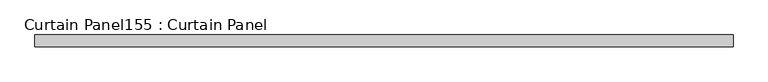
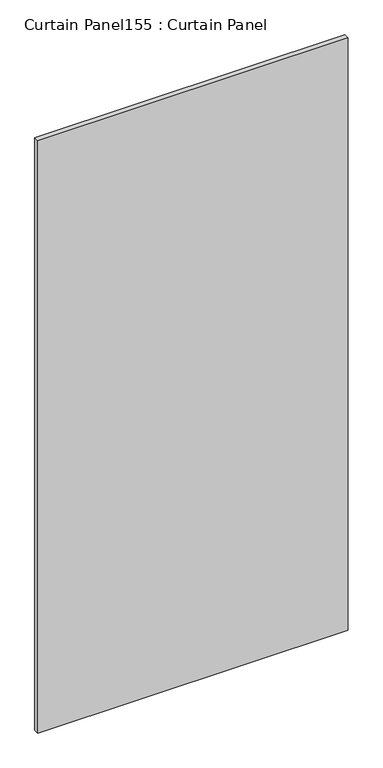
"""IFC4 building model written with IfcOpenShell, lengths in millimetres: plate geometry, Curtain Panel155 : Curtain Panel."""

import ifcopenshell
import ifcopenshell.guid

model = None  # the IFC model being written
_history = None  # IfcOwnerHistory: only IFC2X3 demands one
_inside = {}  # id of a spatial element -> (the spatial element, [elements in it])
_under = {}  # id of a project, library or spatial element -> (it, [spatial elements below it])
_declared = {}  # id of a project -> (the project, [libraries it declares])
_typed = {}  # id of a type object -> (the type object, [elements of that type])
_made_of = {}  # id of a material, layer set ... -> (it, [elements and type objects made of it])


def new_model(schema):
    """Start an empty IFC model of exactly this schema.

    Asked for "IFC4X3", IfcOpenShell would pick the latest addendum, in which some entities
    have other attributes; the version numbers below select the first issue.
    IFC2X3 requires an IfcOwnerHistory on every rooted entity: one is made here for all.
    """
    global model, _history
    if schema == "IFC4X3":
        model = ifcopenshell.file(schema_version=(4, 3, 0, 0))
    else:
        model = ifcopenshell.file(schema=schema)
    _inside.clear()
    _under.clear()
    _declared.clear()
    _typed.clear()
    _made_of.clear()
    _history = None
    if model.schema == "IFC2X3":
        org = make("IfcOrganization", Name="unknown")
        user = make(
            "IfcPersonAndOrganization",
            ThePerson=make("IfcPerson", FamilyName="unknown"),
            TheOrganization=org,
        )
        app = make(
            "IfcApplication",
            ApplicationDeveloper=org,
            Version="unknown",
            ApplicationFullName="unknown",
            ApplicationIdentifier="unknown",
        )
        _history = make(
            "IfcOwnerHistory",
            OwningUser=user,
            OwningApplication=app,
            ChangeAction="ADDED",
            CreationDate=0,
        )
    return model


def make(cls, **values):
    """One entity of the class cls with the attributes given. An attribute that is None is left unset."""
    return model.create_entity(
        cls, **{name: value for name, value in values.items() if value is not None}
    )


def rooted(cls, **values):
    """An entity with a GlobalId (a new one), such as an element, a storey or a relation."""
    return make(cls, GlobalId=ifcopenshell.guid.new(), OwnerHistory=_history, **values)


def si_unit(unit_type, name, prefix=None):
    """IfcSIUnit, for example si_unit("LENGTHUNIT", "METRE", prefix="MILLI")."""
    return make("IfcSIUnit", UnitType=unit_type, Prefix=prefix, Name=name)


def assignment(units):
    """IfcUnitAssignment: the units of a project."""
    return None if units is None else make("IfcUnitAssignment", Units=units)


def point(xyz):
    """IfcCartesianPoint."""
    return None if xyz is None else make("IfcCartesianPoint", Coordinates=xyz)


def direction(xyz):
    """IfcDirection."""
    return None if xyz is None else make("IfcDirection", DirectionRatios=xyz)


def frame(location, z_axis=None, x_axis=None):
    """IfcAxis2Placement3D, a coordinate frame: its origin and axes. An axis left out is left unset."""
    return make(
        "IfcAxis2Placement3D",
        Location=point(location),
        Axis=direction(z_axis),
        RefDirection=direction(x_axis),
    )


def origin():
    """The frame at (0, 0, 0) with its axes left unset."""
    return frame((0.0, 0.0, 0.0))


def place(relative_to, where):
    """IfcLocalPlacement: puts the frame where relative to a parent placement (None: the world)."""
    return make(
        "IfcLocalPlacement", PlacementRelTo=relative_to, RelativePlacement=where
    )


def context(
    kind, dimensions, precision=None, world=None, true_north=None, identifier=None
):
    """IfcGeometricRepresentationContext, for example the 3D "Model" context."""
    return make(
        "IfcGeometricRepresentationContext",
        ContextIdentifier=identifier,
        ContextType=kind,
        CoordinateSpaceDimension=dimensions,
        Precision=precision,
        WorldCoordinateSystem=world,
        TrueNorth=true_north,
    )


def project(units=None, contexts=None):
    """IfcProject with its units and contexts."""
    return rooted(
        "IfcProject",
        Name="project",
        RepresentationContexts=contexts,
        UnitsInContext=assignment(units),
    )


def spatial(cls, under=None, at=None, **own):
    """A site, building, storey or space (cls), placed at a placement, below another one or the project."""
    s = rooted(cls, ObjectPlacement=at, **own)
    if under is not None:
        _under.setdefault(under.id(), (under, []))[1].append(s)
    return s


def polyline(points):
    """IfcPolyline through the points."""
    return make("IfcPolyline", Points=[point(p) for p in points])


def outline(outer, holes=None, kind="AREA"):
    """IfcArbitraryClosedProfileDef: a profile drawn as a closed curve; with holes, ...WithVoids."""
    if holes is None:
        return make("IfcArbitraryClosedProfileDef", ProfileType=kind, OuterCurve=outer)
    return make(
        "IfcArbitraryProfileDefWithVoids",
        ProfileType=kind,
        OuterCurve=outer,
        InnerCurves=holes,
    )


def extrude(swept, where, along, depth):
    """IfcExtrudedAreaSolid: the profile swept, set in the frame where, extruded along a direction by depth."""
    return make(
        "IfcExtrudedAreaSolid",
        SweptArea=swept,
        Position=where,
        ExtrudedDirection=direction(along),
        Depth=depth,
    )


def shape(context_of_items, identifier, shape_type, items):
    """IfcShapeRepresentation: the items that make up one representation, for example the "Body"."""
    return make(
        "IfcShapeRepresentation",
        ContextOfItems=context_of_items,
        RepresentationIdentifier=identifier,
        RepresentationType=shape_type,
        Items=items,
    )


def source(mapping_origin, context_of_items, identifier, shape_type, items):
    """IfcRepresentationMap: a shape defined once, which mapped items show again and again."""
    return make(
        "IfcRepresentationMap",
        MappingOrigin=mapping_origin,
        MappedRepresentation=shape(context_of_items, identifier, shape_type, items),
    )


def transform(
    local_origin,
    x_axis=None,
    y_axis=None,
    z_axis=None,
    scale=None,
    scale2=None,
    scale3=None,
    uniform=True,
):
    """IfcCartesianTransformationOperator3D, or its non-uniform kind. x_axis, y_axis, z_axis: its Axis1, 2, 3."""
    if uniform:
        return make(
            "IfcCartesianTransformationOperator3D",
            Axis1=direction(x_axis),
            Axis2=direction(y_axis),
            LocalOrigin=point(local_origin),
            Scale=scale,
            Axis3=direction(z_axis),
        )
    return make(
        "IfcCartesianTransformationOperator3DnonUniform",
        Axis1=direction(x_axis),
        Axis2=direction(y_axis),
        LocalOrigin=point(local_origin),
        Scale=scale,
        Axis3=direction(z_axis),
        Scale2=scale2,
        Scale3=scale3,
    )


def mapped(mapping_source, mapping_target):
    """IfcMappedItem: shows the shape of a source again, moved by a transform."""
    return make(
        "IfcMappedItem", MappingSource=mapping_source, MappingTarget=mapping_target
    )


def made_of(thing, what):
    """Note that an element or type object is made of a material, layer set ...; save() writes the relation."""
    if what is not None:
        _made_of.setdefault(what.id(), (what, []))[1].append(thing)
    return thing


def element(
    cls,
    number,
    at=None,
    inside=None,
    cuts=None,
    type_object=None,
    material=None,
    context=None,
    identifier="Body",
    shape_type=None,
    held_by="IfcProductDefinitionShape",
    body=None,
    shapes=None,
    **own,
):
    """One element of the class cls, such as IfcWall. Its Tag is "e" and its number.

    at: its placement. inside: the storey or other place that contains it. cuts: it is an
    opening in that element (IfcRelVoidsElement). A single representation is given by context,
    identifier, shape_type and body (its items); several are given by shapes. held_by: the class
    of the entity that holds the representations. save() writes the other relations.
    """
    e = rooted(cls, Tag="e%d" % number, ObjectPlacement=at, **own)
    if body is not None:
        shapes = [shape(context, identifier, shape_type, body)]
    if shapes is not None:
        e.Representation = make(held_by, Representations=shapes)
    if inside is not None:
        _inside.setdefault(inside.id(), (inside, []))[1].append(e)
    if cuts is not None:
        rooted(
            "IfcRelVoidsElement", RelatingBuildingElement=cuts, RelatedOpeningElement=e
        )
    if type_object is not None:
        _typed.setdefault(type_object.id(), (type_object, []))[1].append(e)
    return made_of(e, material)


def aggregate(whole, parts):
    """IfcRelAggregates: a whole, such as a stair, and the parts it consists of."""
    return rooted("IfcRelAggregates", RelatingObject=whole, RelatedObjects=parts)


def save(model, path):
    """Write the relations noted so far, then the file.

    IfcRelAggregates (storeys below a building ...), IfcRelContainedInSpatialStructure (elements
    in a storey), IfcRelDefinesByType, IfcRelAssociatesMaterial and IfcRelDeclares: one each for
    every whole, place, type object, material and project.
    """
    for whole, parts in _under.values():
        aggregate(whole, parts)
    for where, things in _inside.values():
        rooted(
            "IfcRelContainedInSpatialStructure",
            RelatedElements=things,
            RelatingStructure=where,
        )
    for kind, things in _typed.values():
        rooted("IfcRelDefinesByType", RelatedObjects=things, RelatingType=kind)
    for what, things in _made_of.values():
        rooted("IfcRelAssociatesMaterial", RelatedObjects=things, RelatingMaterial=what)
    for by, libraries in _declared.values():
        rooted("IfcRelDeclares", RelatingContext=by, RelatedDefinitions=libraries)
    model.write(path)


def curtain_panel155_curtain_panel_d5a6cf82(model_context):
    return source(origin(), model_context, "Body", "SweptSolid", [
        extrude(outline(polyline([(420136.2397057, 2216.4839321), (418625.4312536, 2216.4839321), (418625.4312536, 2241.8839321), (420136.2397057, 2241.8839321), (420136.2397057, 2216.4839321)])), frame((0.0, 0.0, 7019.7548754), z_axis=(0.0, 0.0, 1.0), x_axis=(1.0, 0.0, 0.0)), (0.0, 0.0, 1.0), 3048.0),
    ])


if __name__ == "__main__":
    model = new_model("IFC4")
    model_context = context("Model", 3, world=origin())
    ifc_project = project(units=[si_unit("LENGTHUNIT", "METRE", prefix="MILLI")], contexts=[model_context])
    site = spatial("IfcSite", under=ifc_project)
    building = spatial("IfcBuilding", under=site)
    placement = place(None, origin())
    curtain_panel155_curtain_panel_shape = curtain_panel155_curtain_panel_d5a6cf82(model_context)
    element("IfcPlate", 1, ObjectType="Curtain Panel155 : Curtain Panel", at=placement, inside=building, context=model_context, shape_type="MappedRepresentation", body=[
        mapped(curtain_panel155_curtain_panel_shape, transform((0.0, 0.0, 0.0), x_axis=(1.0, 0.0, 0.0), y_axis=(0.0, 1.0, 0.0), z_axis=(0.0, 0.0, 1.0))),
    ])
    save(model, "model.ifc")
